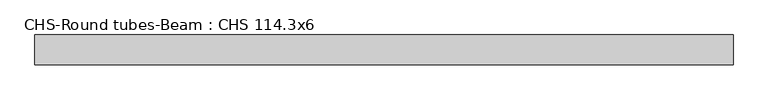
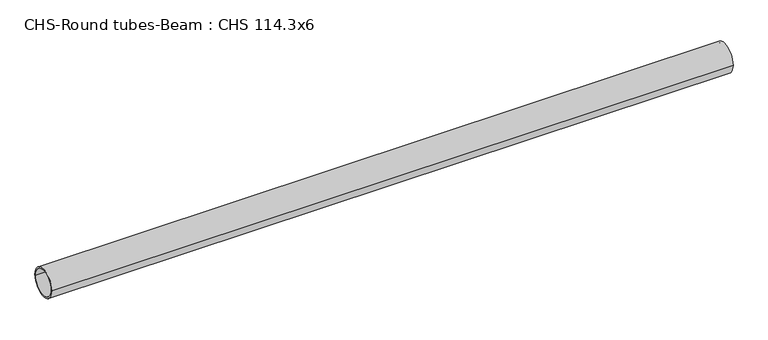
"""IFC4 building model written with IfcOpenShell, lengths in millimetres: beam geometry, CHS-Round tubes-Beam : CHS 114.3x6."""

from ifc_helpers import new_model, si_unit, point, frame, origin, origin_2d, place, context, project, spatial, circle_curve, trimmed, segment, composite_curve, outline, extrude, source, transform, mapped, element, save


def chs_round_tubes_beam_chs_114_3x6_34226799(model_context):
    return source(origin(), model_context, "Body", "SweptSolid", [
        extrude(outline(composite_curve([segment(trimmed(circle_curve(origin_2d(), 57.15), [point((57.15, 0.0))], [point((-57.15, 0.0))], False, "CARTESIAN"), True, "CONTINUOUS"), segment(trimmed(circle_curve(origin_2d(), 57.15), [point((-57.15, 0.0))], [point((57.15, 0.0))], False, "CARTESIAN"), True, "CONTINUOUS")], self_intersect=False), holes=[composite_curve([segment(trimmed(circle_curve(origin_2d(), 51.15), [point((51.15, 0.0))], [point((-51.15, 0.0))], True, "CARTESIAN"), True, "CONTINUOUS"), segment(trimmed(circle_curve(origin_2d(), 51.15), [point((-51.15, 0.0))], [point((51.15, 0.0))], True, "CARTESIAN"), True, "CONTINUOUS")], self_intersect=False)]), frame((-1282.4525135, 0.0, 0.0), z_axis=(1.0, 0.0, 0.0), x_axis=(0.0, 1.0, 0.0)), (0.0, 0.0, 1.0), 2684.2799451),
    ])


if __name__ == "__main__":
    model = new_model("IFC4")
    model_context = context("Model", 3, world=origin())
    ifc_project = project(units=[si_unit("LENGTHUNIT", "METRE", prefix="MILLI")], contexts=[model_context])
    site = spatial("IfcSite", under=ifc_project)
    building = spatial("IfcBuilding", under=site)
    placement = place(None, origin())
    chs_round_tubes_beam_chs_114_3x6_shape = chs_round_tubes_beam_chs_114_3x6_34226799(model_context)
    element("IfcBeam", 1, ObjectType="CHS-Round tubes-Beam : CHS 114.3x6", at=placement, inside=building, context=model_context, shape_type="MappedRepresentation", body=[
        mapped(chs_round_tubes_beam_chs_114_3x6_shape, transform((0.0, 0.0, 0.0), x_axis=(1.0, 0.0, 0.0), y_axis=(0.0, 1.0, 0.0), z_axis=(0.0, 0.0, 1.0))),
    ])
    save(model, "model.ifc")
